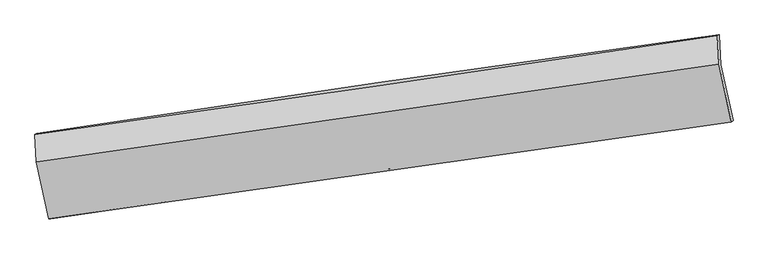
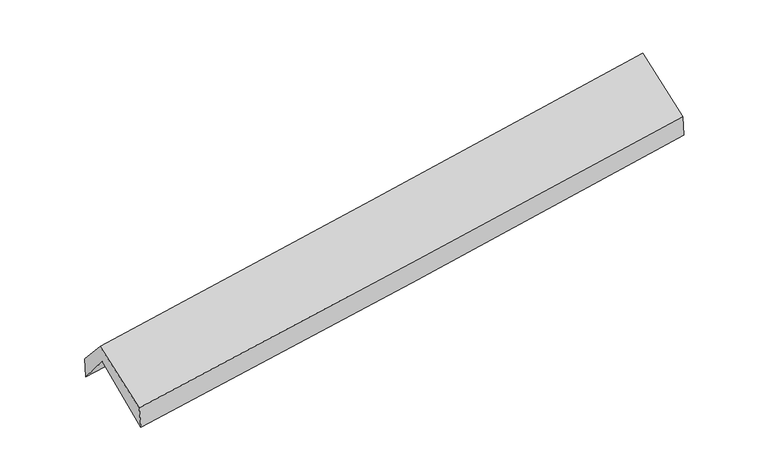
"""IFC4 building model written with IfcOpenShell, lengths in millimetres: proxy geometry."""

from ifc_helpers import new_model, si_unit, frame, origin, place, context, project, spatial, source, transform, mapped, element, save
from ifc_brep_helpers import plane_surface, spline_curve, spline_surface, advanced_brep


def generic_models_d96f76d9(model_context):
    return source(origin(), model_context, "Body", "AdvancedBrep", [
        advanced_brep(
        [(-2909.1672483, -2495.6278487, 1432.3960872), (-3017.4556811, -2013.0397097, 1883.1991123), (2954.5970058, -1143.2928049, 2372.0936664), (3062.5127228, -1634.7368827, 1942.0447374), (-3030.9104375, -1745.3644789, 1559.9541581), (2941.4589556, -881.9182763, 2056.4574484), (-3045.921738, -1753.9051323, 1760.1863791), (2925.2589138, -889.8042322, 2270.1157369), (-3032.5744778, -1995.9395296, 2037.9369374), (2938.899457, -1136.4876739, 2552.7474382), (-2926.559014, -2496.0644317, 1647.1109955), (3047.1580036, -1645.1852442, 2149.9841996)],
        [
            (0, 1),
            (1, 2, spline_curve(3, [(-3017.4556811, -2013.0397097, 1883.1991123), (-2020.959133584, -1862.003218615, 1939.645083628), (-1025.050141339, -1714.007508681, 2008.608174248), (965.634136827, -1424.091620781, 2171.571984024), (1960.409373369, -1282.171695761, 2265.573744883), (2954.5970058, -1143.2928049, 2372.0936664)], [4, 2, 4], [0.0, 9.932934153041709, 19.866281503338055])),
            (2, 3),
            (3, 0, spline_curve(3, [(3062.5127228, -1634.7368827, 1942.0447374), (2067.719360477, -1772.616290746, 1841.150344979), (1072.672325784, -1913.298458899, 1748.231710481), (-917.88768548, -2200.262347161, 1578.349490686), (-1913.400641323, -2346.543834419, 1501.385241628), (-2909.1672483, -2495.6278487, 1432.3960872)], [4, 2, 4], [0.0, 9.933347350296346, 19.866281503338055])),
            (1, 4),
            (4, 5, spline_curve(3, [(-3030.9104375, -1745.3644789, 1559.9541581), (-2034.465648334, -1593.298282323, 1615.156655658), (-1038.556144534, -1445.312745305, 1684.132031327), (952.233697618, -1157.497005238, 1849.631982294), (1947.113991849, -1017.667140887, 1946.157703102), (2941.4589556, -881.9182763, 2056.4574484)], [4, 2, 4], [0.0, 9.93331434818553, 19.867041909441326])),
            (5, 2),
            (4, 6),
            (6, 7, spline_curve(3, [(-3045.921738, -1753.9051323, 1760.1863791), (-2049.404698274, -1614.773580566, 1838.117061489), (-1053.558126397, -1473.200944666, 1919.575558537), (936.83548024, -1185.167514349, 2089.551717784), (1931.382458627, -1038.706516843, 2178.069673179), (2925.2589138, -889.8042322, 2270.1157369)], [4, 2, 4], [0.0, 9.932747116258712, 19.865907421991576])),
            (7, 5),
            (6, 8),
            (8, 9, spline_curve(3, [(-3032.5744778, -1995.9395296, 2037.9369374), (-2037.098519438, -1851.961654722, 2119.824154386), (-1041.748060109, -1708.353211445, 2203.667705179), (948.743261984, -1421.869228797, 2375.271042785), (1943.884113973, -1278.993720142, 2463.03099225), (2938.899457, -1136.4876739, 2552.7474382)], [4, 2, 4], [0.0, 9.932438361912295, 19.865289900454957])),
            (9, 7),
            (8, 10),
            (10, 11, spline_curve(3, [(-2926.559014, -2496.0644317, 1647.1109955), (-1930.50747009, -2353.723362432, 1724.907120158), (-934.682296111, -2211.647697854, 1805.710348801), (1056.556728738, -1928.021280222, 1973.334499801), (2051.970560366, -1786.47054863, 2060.155672767), (3047.1580036, -1645.1852442, 2149.9841996)], [4, 2, 4], [0.0, 9.93245039665127, 19.865313970433537])),
            (11, 9),
            (10, 0),
            (3, 11),
        ],
        [
            spline_surface(3, 3, [[(-2909.1672483, -2495.6278487, 1432.3960872), (-1913.400641463, -2346.543834438, 1501.385241784), (-917.887685589, -2200.262347271, 1578.349490641), (1072.672325893, -1913.29845879, 1748.231710526), (2067.719360362, -1772.616290583, 1841.150345057), (3062.5127228, -1634.7368827, 1942.0447374)], [(-2945.263392574, -2334.765135721, 1582.663762243), (-1949.253472123, -2185.030295864, 1647.47185569), (-953.608504127, -2038.177401063, 1721.769051811), (1036.992929483, -1750.22951277, 1889.345135055), (2031.949364696, -1609.134758993, 1982.624811648), (3026.540817128, -1470.922190108, 2085.394380415)], [(-2981.359536826, -2173.902422679, 1732.931437257), (-1985.106302762, -2023.516757227, 1793.558469568), (-989.329322651, -1876.092454897, 1865.188612984), (1001.313533087, -1587.160566792, 2030.458559588), (1996.179369046, -1445.653227379, 2124.099278192), (2990.568911472, -1307.107497492, 2228.744023385)], [(-3017.4556811, -2013.0397097, 1883.1991123), (-2020.959133423, -1862.003218653, 1939.645083475), (-1025.050141189, -1714.007508689, 2008.608174154), (965.634136677, -1424.091620773, 2171.571984118), (1960.40937338, -1282.171695789, 2265.573744783), (2954.5970058, -1143.2928049, 2372.0936664)]], [4, 4], [4, 2, 4], [0.0, 2.15516367714661], [0.0, 9.932934153041709, 19.866281503338055]),
            spline_surface(3, 3, [[(-3017.4556811, -2013.0397097, 1883.1991123), (-2020.959133423, -1862.003218653, 1939.645083475), (-1025.050141189, -1714.007508689, 2008.608174154), (965.634136677, -1424.091620773, 2171.571984118), (1960.40937338, -1282.171695789, 2265.573744783), (2954.5970058, -1143.2928049, 2372.0936664)], [(-3021.940599904, -1923.814632762, 1775.450794231), (-2025.461305022, -1772.434906528, 1831.482274151), (-1029.552142335, -1624.442587627, 1900.449459881), (961.167323662, -1335.226748894, 2064.258650143), (1955.977579493, -1194.003510871, 2159.101730881), (2950.217655739, -1056.167962031, 2266.881593703)], [(-3026.425518696, -1834.589555838, 1667.702476169), (-2029.963476608, -1682.866594417, 1723.319464834), (-1034.054143441, -1534.877666516, 1792.290745654), (956.700510687, -1246.361876968, 1956.945316214), (1951.54578559, -1105.83532596, 2052.62971707), (2945.838305661, -969.043119169, 2161.669521097)], [(-3030.9104375, -1745.3644789, 1559.9541581), (-2034.465648207, -1593.298282292, 1615.15665551), (-1038.556144588, -1445.312745454, 1684.132031381), (952.233697672, -1157.497005089, 1849.63198224), (1947.113991703, -1017.667141042, 1946.157703168), (2941.4589556, -881.9182763, 2056.4574484)]], [4, 4], [4, 2, 4], [0.0, 1.3774764418501297], [0.0, 9.93331434818553, 19.867041909441326]),
            spline_surface(3, 3, [[(-3030.9104375, -1745.3644789, 1559.9541581), (-2034.465648207, -1593.298282292, 1615.15665551), (-1038.556144588, -1445.312745454, 1684.132031381), (952.233697672, -1157.497005089, 1849.63198224), (1947.113991703, -1017.667141042, 1946.157703168), (2941.4589556, -881.9182763, 2056.4574484)], [(-3035.914204317, -1748.211363375, 1626.69823175), (-2039.445331546, -1600.456715013, 1689.476790826), (-1043.556805158, -1454.608811848, 1762.613207126), (947.100958474, -1166.720508178, 1929.605227399), (1941.87014736, -1024.680266284, 2023.461693186), (2936.058941652, -884.546928256, 2127.676877913)], [(-3040.917971183, -1751.058247825, 1693.44230545), (-2044.425014933, -1607.615147708, 1763.796926192), (-1048.557465697, -1463.904878253, 1841.094382865), (941.968219308, -1175.944011278, 2009.578472552), (1936.626303059, -1031.693391559, 2100.765683165), (2930.658927748, -887.175580244, 2198.896307387)], [(-3045.921738, -1753.9051323, 1760.1863791), (-2049.404698273, -1614.773580429, 1838.117061509), (-1053.558126267, -1473.200944647, 1919.575558609), (936.83548011, -1185.167514367, 2089.551717712), (1931.382458715, -1038.706516801, 2178.069673184), (2925.2589138, -889.8042322, 2270.1157369)]], [4, 4], [4, 2, 4], [0.0, 0.7866858739043255], [0.0, 9.932747116258712, 19.865907421991576]),
            spline_surface(3, 3, [[(-3045.921738, -1753.9051323, 1760.1863791), (-2049.404698273, -1614.773580429, 1838.117061509), (-1053.558126267, -1473.200944647, 1919.575558609), (936.83548011, -1185.167514367, 2089.551717712), (1931.382458715, -1038.706516801, 2178.069673184), (2925.2589138, -889.8042322, 2270.1157369)], [(-3041.472651285, -1834.583264721, 1852.769898561), (-2045.302638734, -1693.836271881, 1932.019425874), (-1049.621437513, -1551.585033565, 2014.272940805), (940.804740753, -1264.068085829, 2184.7914927), (1935.549677146, -1118.802251285, 2273.056779552), (2929.805761524, -972.032046085, 2364.326303993)], [(-3037.023564515, -1915.261397179, 1945.353417939), (-2041.200579139, -1772.898963369, 2025.921790157), (-1045.684748839, -1629.969122527, 2108.970323047), (944.774001317, -1342.968657335, 2280.031267734), (1939.716895606, -1198.897985814, 2368.043885943), (2934.352609276, -1054.259860015, 2458.536871107)], [(-3032.5744778, -1995.9395296, 2037.9369374), (-2037.0985196, -1851.961654821, 2119.824154522), (-1041.748060085, -1708.353211445, 2203.667705242), (948.74326196, -1421.869228797, 2375.271042722), (1943.884114037, -1278.993720297, 2463.030992312), (2938.899457, -1136.4876739, 2552.7474382)]], [4, 4], [4, 2, 4], [0.0, 1.2142365481856097], [0.0, 9.932438361912295, 19.865289900454957]),
            spline_surface(3, 3, [[(-3032.5744778, -1995.9395296, 2037.9369374), (-2037.0985196, -1851.961654821, 2119.824154522), (-1041.748060085, -1708.353211445, 2203.667705242), (948.74326196, -1421.869228797, 2375.271042722), (1943.884114037, -1278.993720297, 2463.030992312), (2938.899457, -1136.4876739, 2552.7474382)], [(-2997.235989842, -2162.647830293, 1907.661623425), (-2001.568169775, -2019.215557338, 1988.185143065), (-1006.059472068, -1876.118040315, 2071.015253082), (984.681084197, -1590.586579246, 2241.292195124), (1979.912929504, -1448.152663088, 2328.739219121), (2974.985639224, -1306.053530678, 2418.493025337)], [(-2961.897501958, -2329.356131007, 1777.386309475), (-1966.037820025, -2186.469459874, 1856.546131633), (-970.370884056, -2043.882869123, 1938.362800877), (1020.618906428, -1759.303929634, 2107.313347483), (2015.941744897, -1617.311605845, 2194.44744592), (3011.071821376, -1475.619387422, 2284.238612463)], [(-2926.559014, -2496.0644317, 1647.1109955), (-1930.5074702, -2353.72336239, 1724.907120176), (-934.682296039, -2211.647697993, 1805.710348716), (1056.556728665, -1928.021280083, 1973.334499885), (2051.970560364, -1786.470548636, 2060.15567273), (3047.1580036, -1645.1852442, 2149.9841996)]], [4, 4], [4, 2, 4], [0.0, 2.1419802953331333], [0.0, 9.93245039665127, 19.865313970433537]),
            spline_surface(3, 3, [[(-2926.559014, -2496.0644317, 1647.1109955), (-1930.5074702, -2353.72336239, 1724.907120176), (-934.682296039, -2211.647697993, 1805.710348716), (1056.556728665, -1928.021280083, 1973.334499885), (2051.970560364, -1786.470548636, 2060.15567273), (3047.1580036, -1645.1852442, 2149.9841996)], [(-2920.761758777, -2495.918904028, 1575.539359391), (-1924.805193965, -2351.3301864, 1650.399827369), (-929.084092555, -2207.852581081, 1729.92339604), (1061.928594408, -1923.113672982, 1898.300236781), (2057.220160362, -1781.852462627, 1987.153896844), (3052.276243332, -1641.702457042, 2080.671045539)], [(-2914.964503523, -2495.773376372, 1503.967723309), (-1919.102917698, -2348.937010427, 1575.89253459), (-923.485889072, -2204.057464182, 1654.136443318), (1067.30046015, -1918.206065891, 1823.26597363), (2062.469760364, -1777.234376592, 1914.152120943), (3057.394483068, -1638.219669858, 2011.357891461)], [(-2909.1672483, -2495.6278487, 1432.3960872), (-1913.400641463, -2346.543834438, 1501.385241784), (-917.887685589, -2200.262347271, 1578.349490641), (1072.672325893, -1913.29845879, 1748.231710526), (2067.719360362, -1772.616290583, 1841.150345057), (3062.5127228, -1634.7368827, 1942.0447374)]], [4, 4], [4, 2, 4], [0.0, 0.7454224032084061], [0.0, 9.932550935249477, 19.865515051812228]),
            plane_surface(frame((2978.3141765, -1221.9041857, 2223.9072045), z_axis=(0.9859777051751433, 0.14636309566036104, 0.08016114474154129), x_axis=(0.1645746898985179, -0.7733222684281955, -0.6122808510788792))),
            plane_surface(frame((-2993.7647661, -2083.3235218, 1720.1306116), z_axis=(-0.9859777051751667, -0.14636309566007213, -0.08016114474178192), x_axis=(-0.08073475967736946, -0.0020266731746570333, 0.9967335607752357))),
        ],
        [
            (0, [[1, 2, 3, 4]]),
            (1, [[5, 6, 7, -2]]),
            (2, [[8, 9, 10, -6]]),
            (3, [[11, 12, 13, -9]]),
            (4, [[14, 15, 16, -12]]),
            (5, [[17, -4, 18, -15]]),
            (6, [[-16, -18, -3, -7, -10, -13]]),
            (7, [[-17, -14, -11, -8, -5, -1]]),
        ],
    ),
    ])


if __name__ == "__main__":
    model = new_model("IFC4")
    model_context = context("Model", 3, world=origin())
    ifc_project = project(units=[si_unit("LENGTHUNIT", "METRE", prefix="MILLI")], contexts=[model_context])
    site = spatial("IfcSite", under=ifc_project)
    building = spatial("IfcBuilding", under=site)
    placement = place(None, origin())
    generic_models_shape = generic_models_d96f76d9(model_context)
    element("IfcBuildingElementProxy", 1, Name="Generic Models", at=placement, inside=building, context=model_context, shape_type="MappedRepresentation", body=[
        mapped(generic_models_shape, transform((0.0, 0.0, 0.0), x_axis=(1.0, 0.0, 0.0), y_axis=(0.0, 1.0, 0.0), z_axis=(0.0, 0.0, 1.0))),
    ])
    save(model, "model.ifc")
